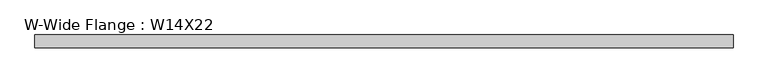
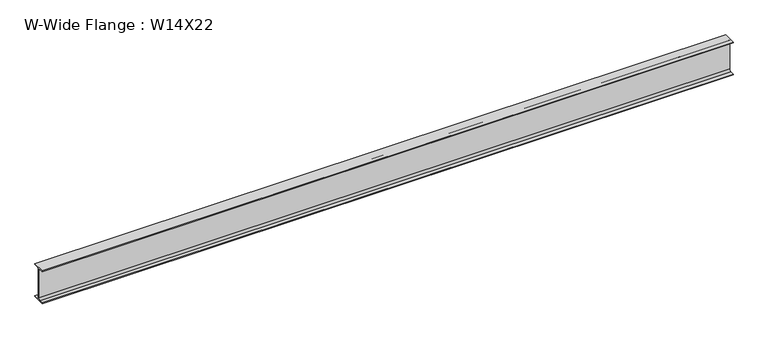
"""IFC4 building model written with IfcOpenShell, lengths in millimetres: beam geometry, W-Wide Flange : W14X22."""

from ifc_helpers import new_model, si_unit, point, frame, frame_2d, origin, place, context, project, spatial, polyline, circle_curve, trimmed, segment, composite_curve, outline, extrude, source, transform, mapped, element, save


def w_wide_flange_w14x22_1f6936f4(model_context):
    return source(origin(), model_context, "Body", "SweptSolid", [
        extrude(outline(composite_curve([segment(polyline([(63.5, -165.4472656), (63.5, -173.9800781), (-63.5, -173.9800781), (-63.5, -165.4472656), (-21.3816406, -165.4472656)]), True, "CONTINUOUS"), segment(trimmed(circle_curve(frame_2d((-21.3816406, -146.9925781)), 18.4546875), [point((-21.3816406, -165.4472656))], [point((-2.9269531, -146.9925781))], True, "CARTESIAN"), True, "CONTINUOUS"), segment(polyline([(-2.9269531, -146.9925781), (-2.9269531, 146.9925781)]), True, "CONTINUOUS"), segment(trimmed(circle_curve(frame_2d((-21.3816406, 146.9925781)), 18.4546875), [point((-2.9269531, 146.9925781))], [point((-21.3816406, 165.4472656))], True, "CARTESIAN"), True, "CONTINUOUS"), segment(polyline([(-21.3816406, 165.4472656), (-63.5, 165.4472656), (-63.5, 173.9800781), (63.5, 173.9800781), (63.5, 165.4472656), (21.3816406, 165.4472656)]), True, "CONTINUOUS"), segment(trimmed(circle_curve(frame_2d((21.3816406, 146.9925781)), 18.4546875), [point((21.3816406, 165.4472656))], [point((2.9269531, 146.9925781))], True, "CARTESIAN"), True, "CONTINUOUS"), segment(polyline([(2.9269531, 146.9925781), (2.9269531, -146.9925781)]), True, "CONTINUOUS"), segment(trimmed(circle_curve(frame_2d((21.3816406, -146.9925781)), 18.4546875), [point((2.9269531, -146.9925781))], [point((21.3816406, -165.4472656))], True, "CARTESIAN"), True, "CONTINUOUS"), segment(polyline([(21.3816406, -165.4472656), (63.5, -165.4472656)]), True, "CONTINUOUS")], self_intersect=False)), frame((-3466.8519531, 0.0, 0.0), z_axis=(1.0, 0.0, 0.0), x_axis=(0.0, 1.0, 0.0)), (0.0, 0.0, 1.0), 6933.7039062),
    ])


if __name__ == "__main__":
    model = new_model("IFC4")
    model_context = context("Model", 3, world=origin())
    ifc_project = project(units=[si_unit("LENGTHUNIT", "METRE", prefix="MILLI")], contexts=[model_context])
    site = spatial("IfcSite", under=ifc_project)
    building = spatial("IfcBuilding", under=site)
    placement = place(None, origin())
    w_wide_flange_w14x22_shape = w_wide_flange_w14x22_1f6936f4(model_context)
    element("IfcBeam", 1, ObjectType="W-Wide Flange : W14X22", at=placement, inside=building, context=model_context, shape_type="MappedRepresentation", body=[
        mapped(w_wide_flange_w14x22_shape, transform((0.0, 0.0, 0.0), x_axis=(1.0, 0.0, 0.0), y_axis=(0.0, 1.0, 0.0), z_axis=(0.0, 0.0, 1.0))),
    ])
    save(model, "model.ifc")
